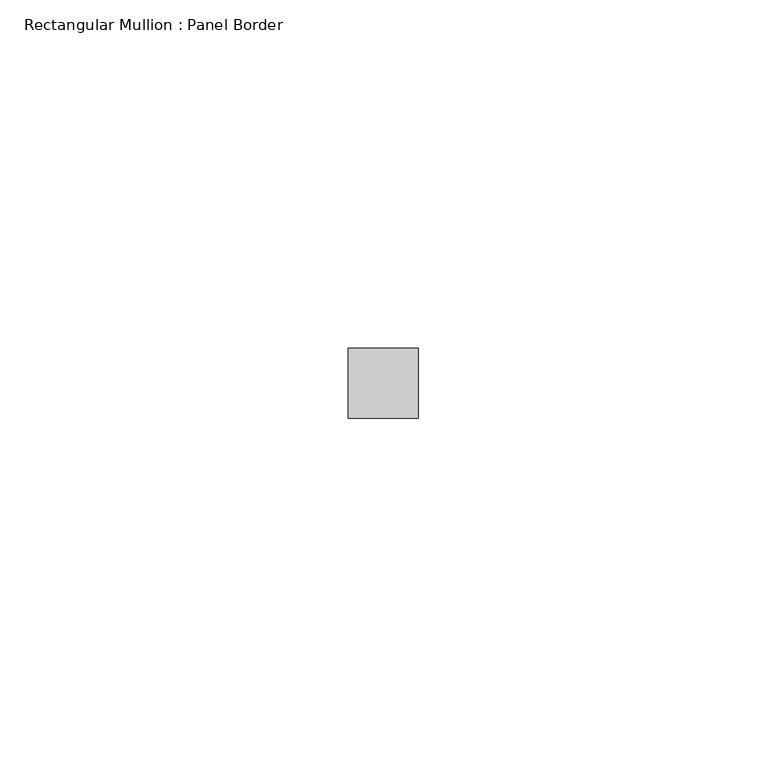
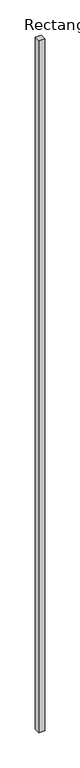
"""IFC4 building model written with IfcOpenShell, lengths in millimetres: member geometry, Rectangular Mullion : Panel Border."""

import ifcopenshell
import ifcopenshell.guid

model = None  # the IFC model being written
_history = None  # IfcOwnerHistory: only IFC2X3 demands one
_inside = {}  # id of a spatial element -> (the spatial element, [elements in it])
_under = {}  # id of a project, library or spatial element -> (it, [spatial elements below it])
_declared = {}  # id of a project -> (the project, [libraries it declares])
_typed = {}  # id of a type object -> (the type object, [elements of that type])
_made_of = {}  # id of a material, layer set ... -> (it, [elements and type objects made of it])


def new_model(schema):
    """Start an empty IFC model of exactly this schema.

    Asked for "IFC4X3", IfcOpenShell would pick the latest addendum, in which some entities
    have other attributes; the version numbers below select the first issue.
    IFC2X3 requires an IfcOwnerHistory on every rooted entity: one is made here for all.
    """
    global model, _history
    if schema == "IFC4X3":
        model = ifcopenshell.file(schema_version=(4, 3, 0, 0))
    else:
        model = ifcopenshell.file(schema=schema)
    _inside.clear()
    _under.clear()
    _declared.clear()
    _typed.clear()
    _made_of.clear()
    _history = None
    if model.schema == "IFC2X3":
        org = make("IfcOrganization", Name="unknown")
        user = make(
            "IfcPersonAndOrganization",
            ThePerson=make("IfcPerson", FamilyName="unknown"),
            TheOrganization=org,
        )
        app = make(
            "IfcApplication",
            ApplicationDeveloper=org,
            Version="unknown",
            ApplicationFullName="unknown",
            ApplicationIdentifier="unknown",
        )
        _history = make(
            "IfcOwnerHistory",
            OwningUser=user,
            OwningApplication=app,
            ChangeAction="ADDED",
            CreationDate=0,
        )
    return model


def make(cls, **values):
    """One entity of the class cls with the attributes given. An attribute that is None is left unset."""
    return model.create_entity(
        cls, **{name: value for name, value in values.items() if value is not None}
    )


def rooted(cls, **values):
    """An entity with a GlobalId (a new one), such as an element, a storey or a relation."""
    return make(cls, GlobalId=ifcopenshell.guid.new(), OwnerHistory=_history, **values)


def si_unit(unit_type, name, prefix=None):
    """IfcSIUnit, for example si_unit("LENGTHUNIT", "METRE", prefix="MILLI")."""
    return make("IfcSIUnit", UnitType=unit_type, Prefix=prefix, Name=name)


def assignment(units):
    """IfcUnitAssignment: the units of a project."""
    return None if units is None else make("IfcUnitAssignment", Units=units)


def point(xyz):
    """IfcCartesianPoint."""
    return None if xyz is None else make("IfcCartesianPoint", Coordinates=xyz)


def direction(xyz):
    """IfcDirection."""
    return None if xyz is None else make("IfcDirection", DirectionRatios=xyz)


def frame(location, z_axis=None, x_axis=None):
    """IfcAxis2Placement3D, a coordinate frame: its origin and axes. An axis left out is left unset."""
    return make(
        "IfcAxis2Placement3D",
        Location=point(location),
        Axis=direction(z_axis),
        RefDirection=direction(x_axis),
    )


def origin():
    """The frame at (0, 0, 0) with its axes left unset."""
    return frame((0.0, 0.0, 0.0))


def place(relative_to, where):
    """IfcLocalPlacement: puts the frame where relative to a parent placement (None: the world)."""
    return make(
        "IfcLocalPlacement", PlacementRelTo=relative_to, RelativePlacement=where
    )


def context(
    kind, dimensions, precision=None, world=None, true_north=None, identifier=None
):
    """IfcGeometricRepresentationContext, for example the 3D "Model" context."""
    return make(
        "IfcGeometricRepresentationContext",
        ContextIdentifier=identifier,
        ContextType=kind,
        CoordinateSpaceDimension=dimensions,
        Precision=precision,
        WorldCoordinateSystem=world,
        TrueNorth=true_north,
    )


def project(units=None, contexts=None):
    """IfcProject with its units and contexts."""
    return rooted(
        "IfcProject",
        Name="project",
        RepresentationContexts=contexts,
        UnitsInContext=assignment(units),
    )


def spatial(cls, under=None, at=None, **own):
    """A site, building, storey or space (cls), placed at a placement, below another one or the project."""
    s = rooted(cls, ObjectPlacement=at, **own)
    if under is not None:
        _under.setdefault(under.id(), (under, []))[1].append(s)
    return s


def polyline(points):
    """IfcPolyline through the points."""
    return make("IfcPolyline", Points=[point(p) for p in points])


def outline(outer, holes=None, kind="AREA"):
    """IfcArbitraryClosedProfileDef: a profile drawn as a closed curve; with holes, ...WithVoids."""
    if holes is None:
        return make("IfcArbitraryClosedProfileDef", ProfileType=kind, OuterCurve=outer)
    return make(
        "IfcArbitraryProfileDefWithVoids",
        ProfileType=kind,
        OuterCurve=outer,
        InnerCurves=holes,
    )


def extrude(swept, where, along, depth):
    """IfcExtrudedAreaSolid: the profile swept, set in the frame where, extruded along a direction by depth."""
    return make(
        "IfcExtrudedAreaSolid",
        SweptArea=swept,
        Position=where,
        ExtrudedDirection=direction(along),
        Depth=depth,
    )


def shape(context_of_items, identifier, shape_type, items):
    """IfcShapeRepresentation: the items that make up one representation, for example the "Body"."""
    return make(
        "IfcShapeRepresentation",
        ContextOfItems=context_of_items,
        RepresentationIdentifier=identifier,
        RepresentationType=shape_type,
        Items=items,
    )


def source(mapping_origin, context_of_items, identifier, shape_type, items):
    """IfcRepresentationMap: a shape defined once, which mapped items show again and again."""
    return make(
        "IfcRepresentationMap",
        MappingOrigin=mapping_origin,
        MappedRepresentation=shape(context_of_items, identifier, shape_type, items),
    )


def transform(
    local_origin,
    x_axis=None,
    y_axis=None,
    z_axis=None,
    scale=None,
    scale2=None,
    scale3=None,
    uniform=True,
):
    """IfcCartesianTransformationOperator3D, or its non-uniform kind. x_axis, y_axis, z_axis: its Axis1, 2, 3."""
    if uniform:
        return make(
            "IfcCartesianTransformationOperator3D",
            Axis1=direction(x_axis),
            Axis2=direction(y_axis),
            LocalOrigin=point(local_origin),
            Scale=scale,
            Axis3=direction(z_axis),
        )
    return make(
        "IfcCartesianTransformationOperator3DnonUniform",
        Axis1=direction(x_axis),
        Axis2=direction(y_axis),
        LocalOrigin=point(local_origin),
        Scale=scale,
        Axis3=direction(z_axis),
        Scale2=scale2,
        Scale3=scale3,
    )


def mapped(mapping_source, mapping_target):
    """IfcMappedItem: shows the shape of a source again, moved by a transform."""
    return make(
        "IfcMappedItem", MappingSource=mapping_source, MappingTarget=mapping_target
    )


def made_of(thing, what):
    """Note that an element or type object is made of a material, layer set ...; save() writes the relation."""
    if what is not None:
        _made_of.setdefault(what.id(), (what, []))[1].append(thing)
    return thing


def element(
    cls,
    number,
    at=None,
    inside=None,
    cuts=None,
    type_object=None,
    material=None,
    context=None,
    identifier="Body",
    shape_type=None,
    held_by="IfcProductDefinitionShape",
    body=None,
    shapes=None,
    **own,
):
    """One element of the class cls, such as IfcWall. Its Tag is "e" and its number.

    at: its placement. inside: the storey or other place that contains it. cuts: it is an
    opening in that element (IfcRelVoidsElement). A single representation is given by context,
    identifier, shape_type and body (its items); several are given by shapes. held_by: the class
    of the entity that holds the representations. save() writes the other relations.
    """
    e = rooted(cls, Tag="e%d" % number, ObjectPlacement=at, **own)
    if body is not None:
        shapes = [shape(context, identifier, shape_type, body)]
    if shapes is not None:
        e.Representation = make(held_by, Representations=shapes)
    if inside is not None:
        _inside.setdefault(inside.id(), (inside, []))[1].append(e)
    if cuts is not None:
        rooted(
            "IfcRelVoidsElement", RelatingBuildingElement=cuts, RelatedOpeningElement=e
        )
    if type_object is not None:
        _typed.setdefault(type_object.id(), (type_object, []))[1].append(e)
    return made_of(e, material)


def aggregate(whole, parts):
    """IfcRelAggregates: a whole, such as a stair, and the parts it consists of."""
    return rooted("IfcRelAggregates", RelatingObject=whole, RelatedObjects=parts)


def save(model, path):
    """Write the relations noted so far, then the file.

    IfcRelAggregates (storeys below a building ...), IfcRelContainedInSpatialStructure (elements
    in a storey), IfcRelDefinesByType, IfcRelAssociatesMaterial and IfcRelDeclares: one each for
    every whole, place, type object, material and project.
    """
    for whole, parts in _under.values():
        aggregate(whole, parts)
    for where, things in _inside.values():
        rooted(
            "IfcRelContainedInSpatialStructure",
            RelatedElements=things,
            RelatingStructure=where,
        )
    for kind, things in _typed.values():
        rooted("IfcRelDefinesByType", RelatedObjects=things, RelatingType=kind)
    for what, things in _made_of.values():
        rooted("IfcRelAssociatesMaterial", RelatedObjects=things, RelatingMaterial=what)
    for by, libraries in _declared.values():
        rooted("IfcRelDeclares", RelatingContext=by, RelatedDefinitions=libraries)
    model.write(path)


def rectangular_mullion_panel_border_010ec05a(model_context):
    return source(origin(), model_context, "Body", "SweptSolid", [
        extrude(outline(polyline([(5.0, 5.5), (5.0, -4.5), (-5.0, -4.5), (-5.0, 5.5), (5.0, 5.5)])), frame((0.0, 0.0, -1205.0), z_axis=(0.0, 0.0, 1.0), x_axis=(1.0, 0.0, 0.0)), (0.0, 0.0, 1.0), 1205.0),
    ])


if __name__ == "__main__":
    model = new_model("IFC4")
    model_context = context("Model", 3, world=origin())
    ifc_project = project(units=[si_unit("LENGTHUNIT", "METRE", prefix="MILLI")], contexts=[model_context])
    site = spatial("IfcSite", under=ifc_project)
    building = spatial("IfcBuilding", under=site)
    placement = place(None, origin())
    rectangular_mullion_panel_border_shape = rectangular_mullion_panel_border_010ec05a(model_context)
    element("IfcMember", 1, ObjectType="Rectangular Mullion : Panel Border", at=placement, inside=building, context=model_context, shape_type="MappedRepresentation", body=[
        mapped(rectangular_mullion_panel_border_shape, transform((0.0, 0.0, 0.0), x_axis=(1.0, 0.0, 0.0), y_axis=(0.0, 1.0, 0.0), z_axis=(0.0, 0.0, 1.0))),
    ])
    save(model, "model.ifc")
